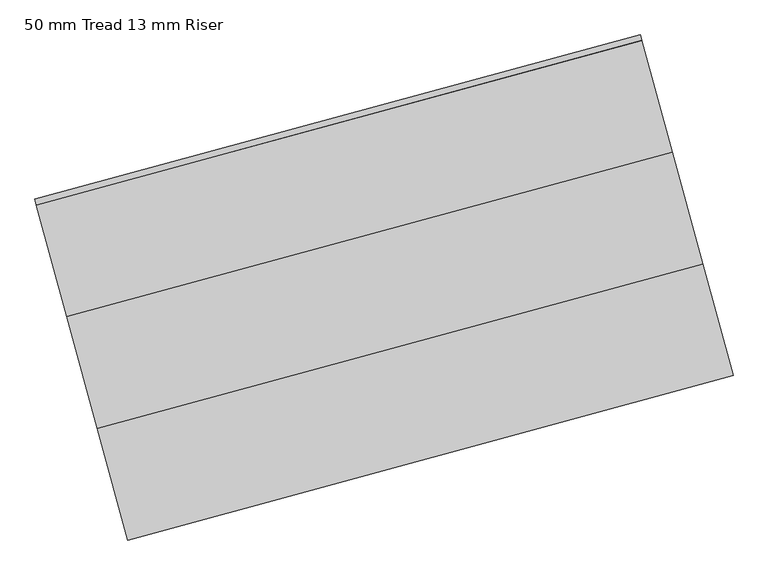
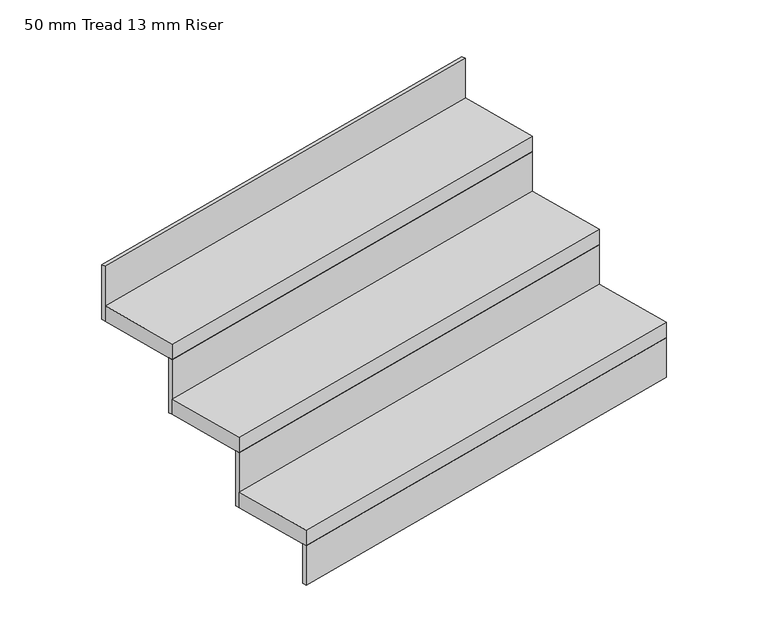
"""IFC4 building model written with IfcOpenShell, lengths in millimetres: stair flight geometry, 50 mm Tread 13 mm Riser."""

from ifc_helpers import new_model, si_unit, frame, origin, origin_with_axes, place, context, project, spatial, polyline, outline, extrude, source, transform, mapped, element, save


def stair_flight_50_mm_tread_13_mm_riser_d9802c27(model_context):
    return source(origin(), model_context, "Body", "SweptSolid", [
        extrude(outline(polyline([(214107.267223, -68605.9813043), (214110.5458334, -68618.043672), (212804.101443, -68973.1416404), (212800.8228325, -68961.0792727), (214107.267223, -68605.9813043)])), origin_with_axes(), (0.0, 0.0, 1.0), 127.7777778),
        extrude(outline(polyline([(212738.5292337, -68731.8942873), (214044.9736242, -68376.7963189), (214110.5458334, -68618.043672), (212804.101443, -68973.1416404), (212738.5292337, -68731.8942873)])), frame((0.0, 0.0, 127.7777778), z_axis=(0.0, 0.0, 1.0), x_axis=(1.0, 0.0, 0.0)), (0.0, 0.0, 1.0), 50.0),
        extrude(outline(polyline([(214041.6950137, -68364.7339512), (214044.9736242, -68376.7963189), (212738.5292337, -68731.8942873), (212735.2506232, -68719.8319196), (214041.6950137, -68364.7339512)])), frame((0.0, 0.0, 127.7777778), z_axis=(0.0, 0.0, 1.0), x_axis=(1.0, 0.0, 0.0)), (0.0, 0.0, 1.0), 177.7777778),
        extrude(outline(polyline([(212672.9570245, -68490.6469342), (213979.4014149, -68135.5489658), (214044.9736242, -68376.7963189), (212738.5292337, -68731.8942873), (212672.9570245, -68490.6469342)])), frame((0.0, 0.0, 305.5555556), z_axis=(0.0, 0.0, 1.0), x_axis=(1.0, 0.0, 0.0)), (0.0, 0.0, 1.0), 50.0),
        extrude(outline(polyline([(213976.1228045, -68123.4865982), (213979.4014149, -68135.5489658), (212672.9570245, -68490.6469342), (212669.678414, -68478.5845665), (213976.1228045, -68123.4865982)])), frame((0.0, 0.0, 305.5555556), z_axis=(0.0, 0.0, 1.0), x_axis=(1.0, 0.0, 0.0)), (0.0, 0.0, 1.0), 177.7777778),
        extrude(outline(polyline([(213910.5505952, -67882.2392451), (213913.8292057, -67894.3016127), (212607.3848152, -68249.3995811), (212604.1062047, -68237.3372134), (213910.5505952, -67882.2392451)])), frame((0.0, 0.0, 483.3333333), z_axis=(0.0, 0.0, 1.0), x_axis=(1.0, 0.0, 0.0)), (0.0, 0.0, 1.0), 177.7777778),
        extrude(outline(polyline([(212607.3848152, -68249.3995811), (213913.8292057, -67894.3016127), (213979.4014149, -68135.5489658), (212672.9570245, -68490.6469342), (212607.3848152, -68249.3995811)])), frame((0.0, 0.0, 483.3333333), z_axis=(0.0, 0.0, 1.0), x_axis=(1.0, 0.0, 0.0)), (0.0, 0.0, 1.0), 50.0),
    ])


if __name__ == "__main__":
    model = new_model("IFC4")
    model_context = context("Model", 3, world=origin())
    ifc_project = project(units=[si_unit("LENGTHUNIT", "METRE", prefix="MILLI")], contexts=[model_context])
    site = spatial("IfcSite", under=ifc_project)
    building = spatial("IfcBuilding", under=site)
    placement = place(None, origin())
    stair_flight_50_mm_tread_13_mm_riser_shape = stair_flight_50_mm_tread_13_mm_riser_d9802c27(model_context)
    element("IfcStairFlight", 1, ObjectType="50 mm Tread 13 mm Riser", at=placement, inside=building, context=model_context, shape_type="MappedRepresentation", body=[
        mapped(stair_flight_50_mm_tread_13_mm_riser_shape, transform((0.0, 0.0, 0.0), x_axis=(1.0, 0.0, 0.0), y_axis=(0.0, 1.0, 0.0), z_axis=(0.0, 0.0, 1.0))),
    ])
    save(model, "model.ifc")
